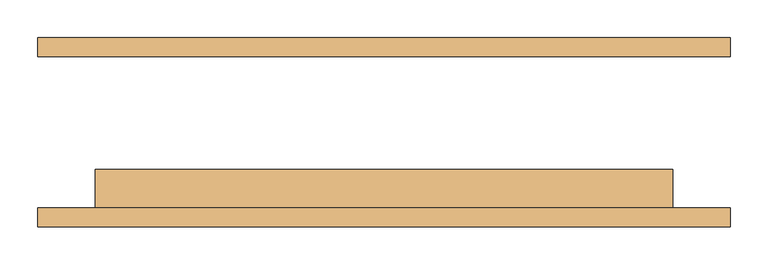
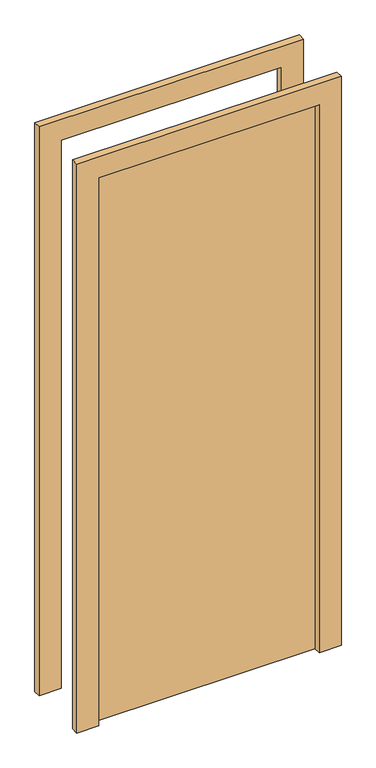
"""IFC4 building model written with IfcOpenShell, lengths in millimetres: door geometry."""

import ifcopenshell
import ifcopenshell.guid

model = None  # the IFC model being written
_history = None  # IfcOwnerHistory: only IFC2X3 demands one
_inside = {}  # id of a spatial element -> (the spatial element, [elements in it])
_under = {}  # id of a project, library or spatial element -> (it, [spatial elements below it])
_declared = {}  # id of a project -> (the project, [libraries it declares])
_typed = {}  # id of a type object -> (the type object, [elements of that type])
_made_of = {}  # id of a material, layer set ... -> (it, [elements and type objects made of it])


def new_model(schema):
    """Start an empty IFC model of exactly this schema.

    Asked for "IFC4X3", IfcOpenShell would pick the latest addendum, in which some entities
    have other attributes; the version numbers below select the first issue.
    IFC2X3 requires an IfcOwnerHistory on every rooted entity: one is made here for all.
    """
    global model, _history
    if schema == "IFC4X3":
        model = ifcopenshell.file(schema_version=(4, 3, 0, 0))
    else:
        model = ifcopenshell.file(schema=schema)
    _inside.clear()
    _under.clear()
    _declared.clear()
    _typed.clear()
    _made_of.clear()
    _history = None
    if model.schema == "IFC2X3":
        org = make("IfcOrganization", Name="unknown")
        user = make(
            "IfcPersonAndOrganization",
            ThePerson=make("IfcPerson", FamilyName="unknown"),
            TheOrganization=org,
        )
        app = make(
            "IfcApplication",
            ApplicationDeveloper=org,
            Version="unknown",
            ApplicationFullName="unknown",
            ApplicationIdentifier="unknown",
        )
        _history = make(
            "IfcOwnerHistory",
            OwningUser=user,
            OwningApplication=app,
            ChangeAction="ADDED",
            CreationDate=0,
        )
    return model


def make(cls, **values):
    """One entity of the class cls with the attributes given. An attribute that is None is left unset."""
    return model.create_entity(
        cls, **{name: value for name, value in values.items() if value is not None}
    )


def rooted(cls, **values):
    """An entity with a GlobalId (a new one), such as an element, a storey or a relation."""
    return make(cls, GlobalId=ifcopenshell.guid.new(), OwnerHistory=_history, **values)


def si_unit(unit_type, name, prefix=None):
    """IfcSIUnit, for example si_unit("LENGTHUNIT", "METRE", prefix="MILLI")."""
    return make("IfcSIUnit", UnitType=unit_type, Prefix=prefix, Name=name)


def assignment(units):
    """IfcUnitAssignment: the units of a project."""
    return None if units is None else make("IfcUnitAssignment", Units=units)


def point(xyz):
    """IfcCartesianPoint."""
    return None if xyz is None else make("IfcCartesianPoint", Coordinates=xyz)


def direction(xyz):
    """IfcDirection."""
    return None if xyz is None else make("IfcDirection", DirectionRatios=xyz)


def frame(location, z_axis=None, x_axis=None):
    """IfcAxis2Placement3D, a coordinate frame: its origin and axes. An axis left out is left unset."""
    return make(
        "IfcAxis2Placement3D",
        Location=point(location),
        Axis=direction(z_axis),
        RefDirection=direction(x_axis),
    )


def origin():
    """The frame at (0, 0, 0) with its axes left unset."""
    return frame((0.0, 0.0, 0.0))


def origin_with_axes():
    """The frame at (0, 0, 0) with the z axis (0, 0, 1) and the x axis (1, 0, 0) written out."""
    return frame((0.0, 0.0, 0.0), z_axis=(0.0, 0.0, 1.0), x_axis=(1.0, 0.0, 0.0))


def place(relative_to, where):
    """IfcLocalPlacement: puts the frame where relative to a parent placement (None: the world)."""
    return make(
        "IfcLocalPlacement", PlacementRelTo=relative_to, RelativePlacement=where
    )


def context(
    kind, dimensions, precision=None, world=None, true_north=None, identifier=None
):
    """IfcGeometricRepresentationContext, for example the 3D "Model" context."""
    return make(
        "IfcGeometricRepresentationContext",
        ContextIdentifier=identifier,
        ContextType=kind,
        CoordinateSpaceDimension=dimensions,
        Precision=precision,
        WorldCoordinateSystem=world,
        TrueNorth=true_north,
    )


def project(units=None, contexts=None):
    """IfcProject with its units and contexts."""
    return rooted(
        "IfcProject",
        Name="project",
        RepresentationContexts=contexts,
        UnitsInContext=assignment(units),
    )


def spatial(cls, under=None, at=None, **own):
    """A site, building, storey or space (cls), placed at a placement, below another one or the project."""
    s = rooted(cls, ObjectPlacement=at, **own)
    if under is not None:
        _under.setdefault(under.id(), (under, []))[1].append(s)
    return s


def polyline(points):
    """IfcPolyline through the points."""
    return make("IfcPolyline", Points=[point(p) for p in points])


def outline(outer, holes=None, kind="AREA"):
    """IfcArbitraryClosedProfileDef: a profile drawn as a closed curve; with holes, ...WithVoids."""
    if holes is None:
        return make("IfcArbitraryClosedProfileDef", ProfileType=kind, OuterCurve=outer)
    return make(
        "IfcArbitraryProfileDefWithVoids",
        ProfileType=kind,
        OuterCurve=outer,
        InnerCurves=holes,
    )


def extrude(swept, where, along, depth):
    """IfcExtrudedAreaSolid: the profile swept, set in the frame where, extruded along a direction by depth."""
    return make(
        "IfcExtrudedAreaSolid",
        SweptArea=swept,
        Position=where,
        ExtrudedDirection=direction(along),
        Depth=depth,
    )


def shape(context_of_items, identifier, shape_type, items):
    """IfcShapeRepresentation: the items that make up one representation, for example the "Body"."""
    return make(
        "IfcShapeRepresentation",
        ContextOfItems=context_of_items,
        RepresentationIdentifier=identifier,
        RepresentationType=shape_type,
        Items=items,
    )


def source(mapping_origin, context_of_items, identifier, shape_type, items):
    """IfcRepresentationMap: a shape defined once, which mapped items show again and again."""
    return make(
        "IfcRepresentationMap",
        MappingOrigin=mapping_origin,
        MappedRepresentation=shape(context_of_items, identifier, shape_type, items),
    )


def transform(
    local_origin,
    x_axis=None,
    y_axis=None,
    z_axis=None,
    scale=None,
    scale2=None,
    scale3=None,
    uniform=True,
):
    """IfcCartesianTransformationOperator3D, or its non-uniform kind. x_axis, y_axis, z_axis: its Axis1, 2, 3."""
    if uniform:
        return make(
            "IfcCartesianTransformationOperator3D",
            Axis1=direction(x_axis),
            Axis2=direction(y_axis),
            LocalOrigin=point(local_origin),
            Scale=scale,
            Axis3=direction(z_axis),
        )
    return make(
        "IfcCartesianTransformationOperator3DnonUniform",
        Axis1=direction(x_axis),
        Axis2=direction(y_axis),
        LocalOrigin=point(local_origin),
        Scale=scale,
        Axis3=direction(z_axis),
        Scale2=scale2,
        Scale3=scale3,
    )


def mapped(mapping_source, mapping_target):
    """IfcMappedItem: shows the shape of a source again, moved by a transform."""
    return make(
        "IfcMappedItem", MappingSource=mapping_source, MappingTarget=mapping_target
    )


def made_of(thing, what):
    """Note that an element or type object is made of a material, layer set ...; save() writes the relation."""
    if what is not None:
        _made_of.setdefault(what.id(), (what, []))[1].append(thing)
    return thing


def element(
    cls,
    number,
    at=None,
    inside=None,
    cuts=None,
    type_object=None,
    material=None,
    context=None,
    identifier="Body",
    shape_type=None,
    held_by="IfcProductDefinitionShape",
    body=None,
    shapes=None,
    **own,
):
    """One element of the class cls, such as IfcWall. Its Tag is "e" and its number.

    at: its placement. inside: the storey or other place that contains it. cuts: it is an
    opening in that element (IfcRelVoidsElement). A single representation is given by context,
    identifier, shape_type and body (its items); several are given by shapes. held_by: the class
    of the entity that holds the representations. save() writes the other relations.
    """
    e = rooted(cls, Tag="e%d" % number, ObjectPlacement=at, **own)
    if body is not None:
        shapes = [shape(context, identifier, shape_type, body)]
    if shapes is not None:
        e.Representation = make(held_by, Representations=shapes)
    if inside is not None:
        _inside.setdefault(inside.id(), (inside, []))[1].append(e)
    if cuts is not None:
        rooted(
            "IfcRelVoidsElement", RelatingBuildingElement=cuts, RelatedOpeningElement=e
        )
    if type_object is not None:
        _typed.setdefault(type_object.id(), (type_object, []))[1].append(e)
    return made_of(e, material)


def aggregate(whole, parts):
    """IfcRelAggregates: a whole, such as a stair, and the parts it consists of."""
    return rooted("IfcRelAggregates", RelatingObject=whole, RelatedObjects=parts)


def save(model, path):
    """Write the relations noted so far, then the file.

    IfcRelAggregates (storeys below a building ...), IfcRelContainedInSpatialStructure (elements
    in a storey), IfcRelDefinesByType, IfcRelAssociatesMaterial and IfcRelDeclares: one each for
    every whole, place, type object, material and project.
    """
    for whole, parts in _under.values():
        aggregate(whole, parts)
    for where, things in _inside.values():
        rooted(
            "IfcRelContainedInSpatialStructure",
            RelatedElements=things,
            RelatingStructure=where,
        )
    for kind, things in _typed.values():
        rooted("IfcRelDefinesByType", RelatedObjects=things, RelatingType=kind)
    for what, things in _made_of.values():
        rooted("IfcRelAssociatesMaterial", RelatedObjects=things, RelatingMaterial=what)
    for by, libraries in _declared.values():
        rooted("IfcRelDeclares", RelatingContext=by, RelatedDefinitions=libraries)
    model.write(path)


def door_31122143(model_context):
    return source(origin(), model_context, "Body", "SweptSolid", [
        extrude(outline(polyline([(2076.0, -457.0), (0.0, -457.0), (0.0, -381.0), (2000.0, -381.0), (2000.0, 381.0), (0.0, 381.0), (0.0, 457.0), (2076.0, 457.0), (2076.0, -457.0)])), frame((0.0, -125.0, 0.0), z_axis=(0.0, 1.0, 0.0), x_axis=(0.0, 0.0, 1.0)), (0.0, 0.0, 1.0), 25.0),
        extrude(outline(polyline([(2076.0, 457.0), (2076.0, -457.0), (0.0, -457.0), (0.0, -381.0), (2000.0, -381.0), (2000.0, 381.0), (0.0, 381.0), (0.0, 457.0), (2076.0, 457.0)])), frame((0.0, 100.0, 0.0), z_axis=(0.0, 1.0, 0.0), x_axis=(0.0, 0.0, 1.0)), (0.0, 0.0, 1.0), 25.0),
        extrude(outline(polyline([(381.0, -49.0), (381.0, -100.0), (-381.0, -100.0), (-381.0, -49.0), (381.0, -49.0)])), origin_with_axes(), (0.0, 0.0, 1.0), 2000.0),
    ])


if __name__ == "__main__":
    model = new_model("IFC4")
    model_context = context("Model", 3, world=origin())
    ifc_project = project(units=[si_unit("LENGTHUNIT", "METRE", prefix="MILLI")], contexts=[model_context])
    site = spatial("IfcSite", under=ifc_project)
    building = spatial("IfcBuilding", under=site)
    placement = place(None, origin())
    door_shape = door_31122143(model_context)
    element("IfcDoor", 1, at=placement, inside=building, context=model_context, shape_type="MappedRepresentation", body=[
        mapped(door_shape, transform((0.0, 0.0, 0.0), x_axis=(1.0, 0.0, 0.0), y_axis=(0.0, 1.0, 0.0), z_axis=(0.0, 0.0, 1.0))),
    ])
    save(model, "model.ifc")
